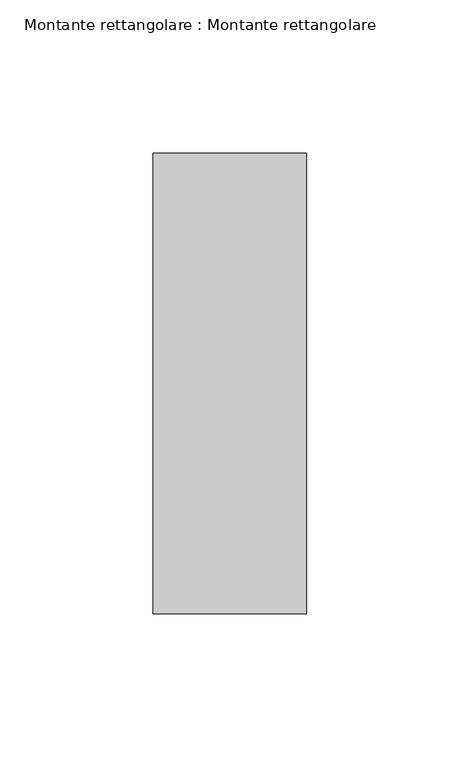
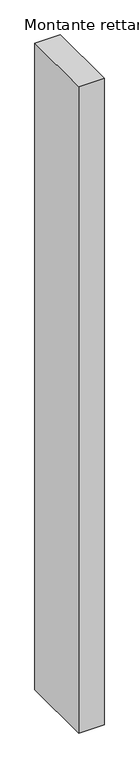
"""IFC4 building model written with IfcOpenShell, lengths in millimetres: member geometry, Montante rettangolare : Montante rettangolare."""

from ifc_helpers import new_model, si_unit, frame, origin, place, context, project, spatial, polyline, outline, extrude, source, transform, mapped, element, save


def montante_rettangolare_montante_rettangolare_8fda323b(model_context):
    return source(origin(), model_context, "Body", "SweptSolid", [
        extrude(outline(polyline([(25.0, 75.0), (25.0, -75.0), (-25.0, -75.0), (-25.0, 75.0), (25.0, 75.0)])), frame((0.0, 0.0, -1350.0), z_axis=(0.0, 0.0, 1.0), x_axis=(1.0, 0.0, 0.0)), (0.0, 0.0, 1.0), 1350.0),
    ])


if __name__ == "__main__":
    model = new_model("IFC4")
    model_context = context("Model", 3, world=origin())
    ifc_project = project(units=[si_unit("LENGTHUNIT", "METRE", prefix="MILLI")], contexts=[model_context])
    site = spatial("IfcSite", under=ifc_project)
    building = spatial("IfcBuilding", under=site)
    placement = place(None, origin())
    montante_rettangolare_montante_rettangolare_shape = montante_rettangolare_montante_rettangolare_8fda323b(model_context)
    element("IfcMember", 1, ObjectType="Montante rettangolare : Montante rettangolare", at=placement, inside=building, context=model_context, shape_type="MappedRepresentation", body=[
        mapped(montante_rettangolare_montante_rettangolare_shape, transform((0.0, 0.0, 0.0), x_axis=(1.0, 0.0, 0.0), y_axis=(0.0, 1.0, 0.0), z_axis=(0.0, 0.0, 1.0))),
    ])
    save(model, "model.ifc")
